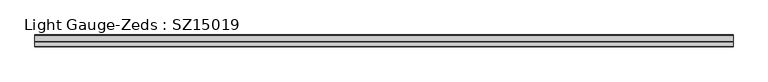
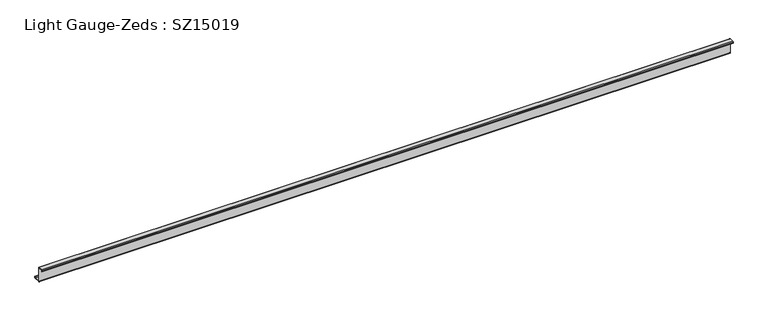
"""IFC4 building model written with IfcOpenShell, lengths in millimetres: beam geometry, Light Gauge-Zeds : SZ15019."""

from ifc_helpers import new_model, si_unit, point, frame, frame_2d, origin, place, context, project, spatial, polyline, circle_curve, trimmed, segment, composite_curve, outline, extrude, source, transform, mapped, element, save


def light_gauge_zeds_sz15019_6b7ee306(model_context):
    return source(origin(), model_context, "Body", "SweptSolid", [
        extrude(outline(composite_curve([segment(polyline([(0.0, -72.1), (0.0, 72.1)]), True, "CONTINUOUS"), segment(trimmed(circle_curve(frame_2d((-2.0, 72.1)), 2.0), [point((0.0, 72.1))], [point((-2.0, 74.1))], True, "CARTESIAN"), True, "CONTINUOUS"), segment(polyline([(-2.0, 74.1), (-46.6, 74.1)]), True, "CONTINUOUS"), segment(trimmed(circle_curve(frame_2d((-46.6, 72.1)), 2.0), [point((-46.6, 74.1))], [point((-48.6, 72.1))], True, "CARTESIAN"), True, "CONTINUOUS"), segment(polyline([(-48.6, 72.1), (-48.6, 58.0), (-50.5, 58.0), (-50.5, 72.1)]), True, "CONTINUOUS"), segment(trimmed(circle_curve(frame_2d((-46.6, 72.1)), 3.9), [point((-50.5, 72.1))], [point((-46.6, 76.0))], False, "CARTESIAN"), True, "CONTINUOUS"), segment(polyline([(-46.6, 76.0), (-2.0, 76.0)]), True, "CONTINUOUS"), segment(trimmed(circle_curve(frame_2d((-2.0, 72.1)), 3.9), [point((-2.0, 76.0))], [point((1.9, 72.1))], False, "CARTESIAN"), True, "CONTINUOUS"), segment(polyline([(1.9, 72.1), (1.9, -72.1)]), True, "CONTINUOUS"), segment(trimmed(circle_curve(frame_2d((3.9, -72.1)), 2.0), [point((1.9, -72.1))], [point((3.9, -74.1))], True, "CARTESIAN"), True, "CONTINUOUS"), segment(polyline([(3.9, -74.1), (63.6, -74.1)]), True, "CONTINUOUS"), segment(trimmed(circle_curve(frame_2d((63.6, -72.1)), 2.0), [point((63.6, -74.1))], [point((65.6, -72.1))], True, "CARTESIAN"), True, "CONTINUOUS"), segment(polyline([(65.6, -72.1), (65.6, -57.0), (67.5, -57.0), (67.5, -72.1)]), True, "CONTINUOUS"), segment(trimmed(circle_curve(frame_2d((63.6, -72.1)), 3.9), [point((67.5, -72.1))], [point((63.6, -76.0))], False, "CARTESIAN"), True, "CONTINUOUS"), segment(polyline([(63.6, -76.0), (3.9, -76.0)]), True, "CONTINUOUS"), segment(trimmed(circle_curve(frame_2d((3.9, -72.1)), 3.9), [point((3.9, -76.0))], [point((0.0, -72.1))], False, "CARTESIAN"), True, "CONTINUOUS")], self_intersect=False)), frame((-3085.25, 0.0, 0.0), z_axis=(1.0, 0.0, 0.0), x_axis=(0.0, 1.0, 0.0)), (0.0, 0.0, 1.0), 6868.7588469),
    ])


if __name__ == "__main__":
    model = new_model("IFC4")
    model_context = context("Model", 3, world=origin())
    ifc_project = project(units=[si_unit("LENGTHUNIT", "METRE", prefix="MILLI")], contexts=[model_context])
    site = spatial("IfcSite", under=ifc_project)
    building = spatial("IfcBuilding", under=site)
    placement = place(None, origin())
    light_gauge_zeds_sz15019_shape = light_gauge_zeds_sz15019_6b7ee306(model_context)
    element("IfcBeam", 1, ObjectType="Light Gauge-Zeds : SZ15019", at=placement, inside=building, context=model_context, shape_type="MappedRepresentation", body=[
        mapped(light_gauge_zeds_sz15019_shape, transform((0.0, 0.0, 0.0), x_axis=(1.0, 0.0, 0.0), y_axis=(0.0, 1.0, 0.0), z_axis=(0.0, 0.0, 1.0))),
    ])
    save(model, "model.ifc")
